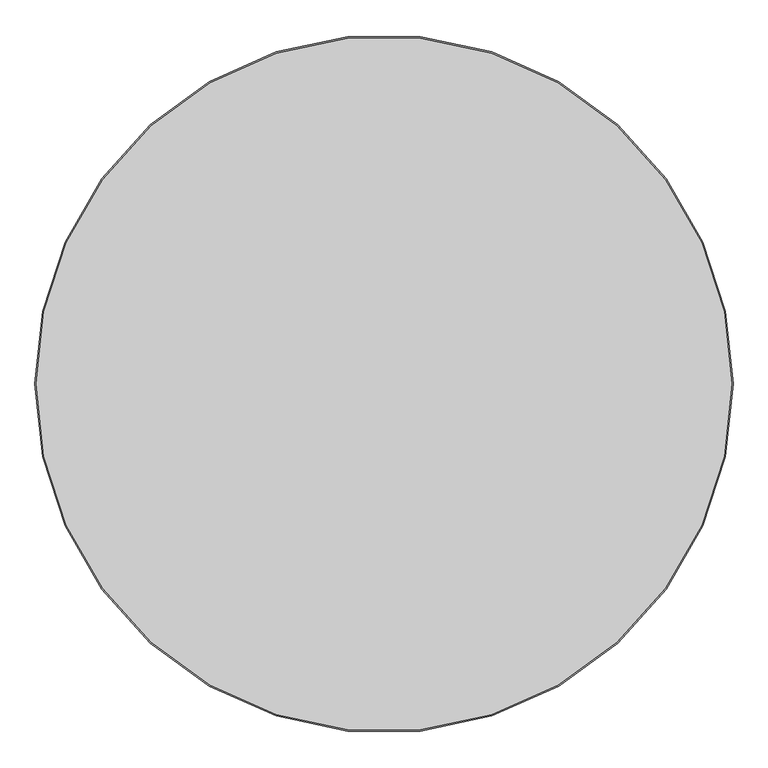
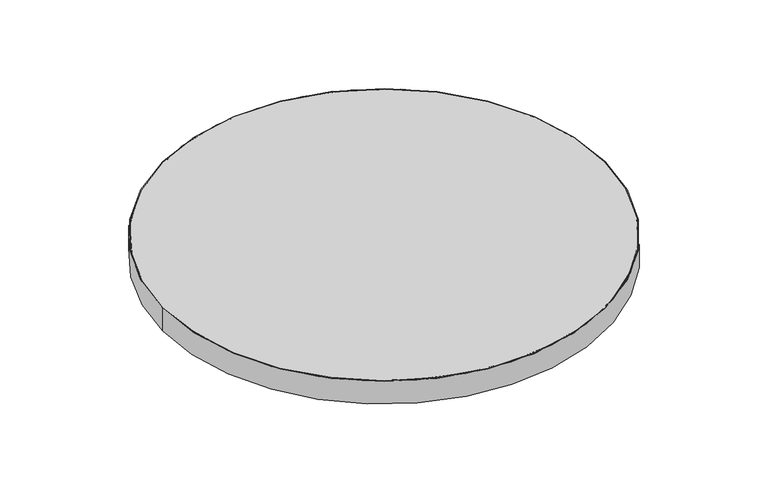
"""IFC4 building model written with IfcOpenShell, lengths in millimetres: proxy geometry."""

from ifc_helpers import new_model, si_unit, point, frame, origin, origin_with_axes, origin_2d, place, context, project, spatial, polyline, circle_curve, trimmed, segment, composite_curve, outline, extrude, source, transform, mapped, element, save
from ifc_brep_helpers import plane_surface, cylinder_surface, revolved_surface, advanced_brep


def generic_models_0390e559(model_context):
    return source(origin(), model_context, "Body", "SolidModel", [
        extrude(outline(composite_curve([segment(trimmed(circle_curve(origin_2d(), 1096.0), [point((-1096.0, 0.0))], [point((1096.0, 0.0))], False, "CARTESIAN"), True, "CONTINUOUS"), segment(trimmed(circle_curve(origin_2d(), 1096.0), [point((1096.0, 0.0))], [point((-1096.0, 0.0))], False, "CARTESIAN"), True, "CONTINUOUS")], self_intersect=False)), frame((0.0, 0.0, 116.0), z_axis=(0.0, 0.0, 1.0), x_axis=(1.0, 0.0, 0.0)), (0.0, 0.0, 1.0), 4.0),
        advanced_brep(
        [(-1100.0, 0.0, 120.0), (1100.0, 0.0, 120.0), (1096.0, 0.0, 120.0), (-1096.0, 0.0, 120.0), (-1100.0, 0.0, 0.0), (1100.0, 0.0, 0.0), (-1096.0, 0.0, 116.0), (1096.0, 0.0, 116.0)],
        [
            (0, 1, circle_curve(frame((0.0, 0.0, 120.0), z_axis=(0.0, 0.0, 1.0), x_axis=(1.0, 0.0, 0.0)), 1100.0)),
            (1, 0, circle_curve(frame((0.0, 0.0, 120.0), z_axis=(0.0, 0.0, 1.0), x_axis=(1.0, 0.0, 0.0)), 1100.0)),
            (2, 3, circle_curve(frame((0.0, 0.0, 120.0), z_axis=(0.0, 0.0, -1.0), x_axis=(1.0, 0.0, 0.0)), 1096.0)),
            (3, 2, circle_curve(frame((0.0, 0.0, 120.0), z_axis=(0.0, 0.0, -1.0), x_axis=(1.0, 0.0, 0.0)), 1096.0)),
            (4, 5, circle_curve(frame((0.0, 0.0, 0.0), z_axis=(0.0, 0.0, -1.0), x_axis=(1.0, 0.0, 0.0)), 1100.0)),
            (5, 4, circle_curve(frame((0.0, 0.0, 0.0), z_axis=(0.0, 0.0, -1.0), x_axis=(1.0, 0.0, 0.0)), 1100.0)),
            (0, 4),
            (5, 1),
            (6, 7, circle_curve(frame((0.0, 0.0, 116.0), z_axis=(0.0, 0.0, 1.0), x_axis=(1.0, 0.0, 0.0)), 1096.0)),
            (7, 6, circle_curve(frame((0.0, 0.0, 116.0), z_axis=(0.0, 0.0, 1.0), x_axis=(1.0, 0.0, 0.0)), 1096.0)),
            (6, 3),
            (2, 7),
        ],
        [
            plane_surface(frame((1100.0, 0.0, 120.0), z_axis=(0.0, 0.0, 1.0), x_axis=(0.0, 1.0, 0.0))),
            plane_surface(frame((1100.0, 0.0, 0.0), z_axis=(0.0, 0.0, -1.0), x_axis=(0.0, -1.0, 0.0))),
            cylinder_surface(origin_with_axes(), 1100.0),
            plane_surface(frame((1096.0, 0.0, 116.0), z_axis=(0.0, 0.0, 1.0), x_axis=(0.0, -1.0, 0.0))),
            revolved_surface(polyline([(1096.0, 0.0, 120.0), (1096.0, 0.0, 116.0)]), (0.0, 0.0, 116.0), (0.0, 0.0, 1.0)),
        ],
        [
            (0, [[1, 2], [3, 4]]),
            (1, [[5, 6]]),
            (2, [[-1, 7, -6, 8]]),
            (2, [[-2, -8, -5, -7]]),
            (3, [[9, 10]]),
            (4, [[-9, 11, -3, 12]]),
            (4, [[-10, -12, -4, -11]]),
        ],
    ),
    ])


if __name__ == "__main__":
    model = new_model("IFC4")
    model_context = context("Model", 3, world=origin())
    ifc_project = project(units=[si_unit("LENGTHUNIT", "METRE", prefix="MILLI")], contexts=[model_context])
    site = spatial("IfcSite", under=ifc_project)
    building = spatial("IfcBuilding", under=site)
    placement = place(None, origin())
    generic_models_shape = generic_models_0390e559(model_context)
    element("IfcBuildingElementProxy", 1, Name="Generic Models", at=placement, inside=building, context=model_context, shape_type="MappedRepresentation", body=[
        mapped(generic_models_shape, transform((0.0, 0.0, 0.0), x_axis=(1.0, 0.0, 0.0), y_axis=(0.0, 1.0, 0.0), z_axis=(0.0, 0.0, 1.0))),
    ])
    save(model, "model.ifc")
